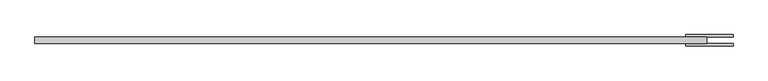
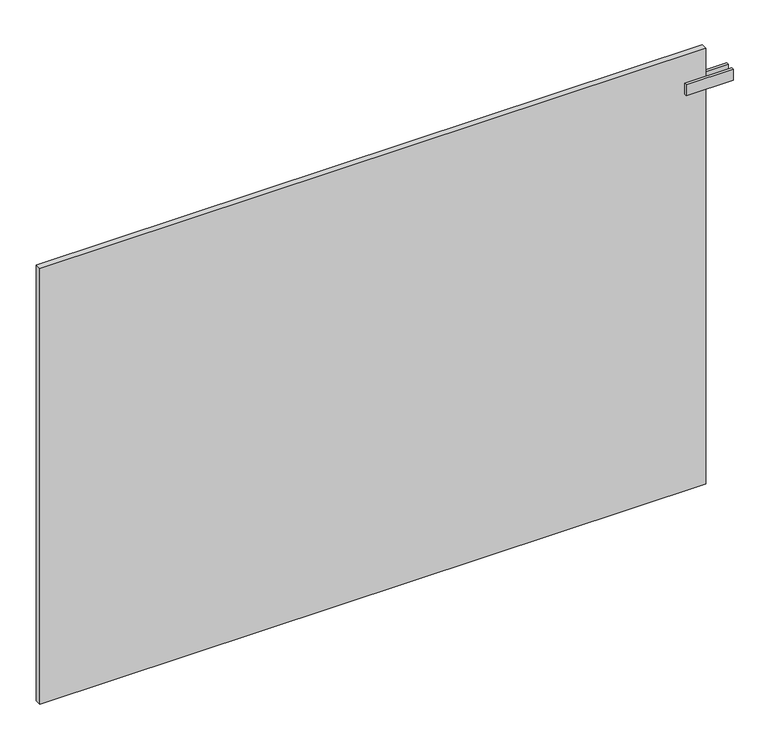
"""IFC4 building model written with IfcOpenShell, lengths in millimetres: plate geometry."""

from ifc_helpers import new_model, si_unit, frame, origin, origin_with_axes, place, context, project, spatial, polyline, outline, extrude, source, transform, mapped, element, save


def plate_8e59bff2(model_context):
    return source(origin(), model_context, "Body", "SweptSolid", [
        extrude(outline(polyline([(662.5000001, -43.75), (662.5000001, -38.75), (762.5000001, -38.75), (762.5000001, -43.75), (662.5000001, -43.75)])), frame((0.0, 0.0, 891.5), z_axis=(0.0, 0.0, 1.0), x_axis=(1.0, 0.0, 0.0)), (0.0, 0.0, 1.0), 25.0),
        extrude(outline(polyline([(662.5000001, -20.25), (762.5000001, -20.25), (762.5000001, -25.25), (662.5000001, -25.25), (662.5000001, -20.25)])), frame((0.0, 0.0, 891.5), z_axis=(0.0, 0.0, 1.0), x_axis=(1.0, 0.0, 0.0)), (0.0, 0.0, 1.0), 25.0),
        extrude(outline(polyline([(707.5000001, -25.25), (707.5000001, -38.75), (-707.5000001, -38.75), (-707.5000001, -25.25), (707.5000001, -25.25)])), origin_with_axes(), (0.0, 0.0, 1.0), 979.0),
    ])


if __name__ == "__main__":
    model = new_model("IFC4")
    model_context = context("Model", 3, world=origin())
    ifc_project = project(units=[si_unit("LENGTHUNIT", "METRE", prefix="MILLI")], contexts=[model_context])
    site = spatial("IfcSite", under=ifc_project)
    building = spatial("IfcBuilding", under=site)
    placement = place(None, origin())
    plate_shape = plate_8e59bff2(model_context)
    element("IfcPlate", 1, at=placement, inside=building, context=model_context, shape_type="MappedRepresentation", body=[
        mapped(plate_shape, transform((0.0, 0.0, 0.0), x_axis=(1.0, 0.0, 0.0), y_axis=(0.0, 1.0, 0.0), z_axis=(0.0, 0.0, 1.0))),
    ])
    save(model, "model.ifc")
